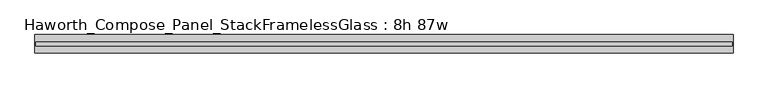
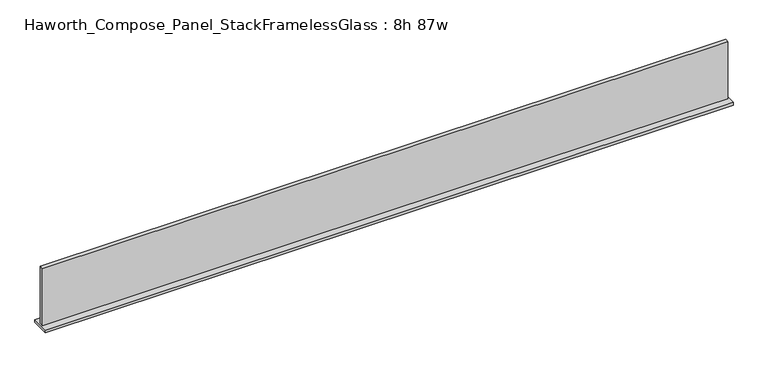
"""IFC4 building model written with IfcOpenShell, lengths in millimetres: furniture geometry, Haworth_Compose_Panel_StackFramelessGlass : 8h 87w."""

from ifc_helpers import new_model, si_unit, frame, origin, place, context, project, spatial, polyline, outline, extrude, source, transform, mapped, element, save


def haworth_compose_panel_stackframelessglass_8h_87w_bba68363(model_context):
    return source(origin(), model_context, "Body", "SweptSolid", [
        extrude(outline(polyline([(1104.1652902, -27.3093594), (-1099.2847098, -27.3093594), (-1099.2847098, -14.6093594), (1104.1652902, -14.6093594), (1104.1652902, -27.3093594)])), frame((0.0, 0.0, 1279.525), z_axis=(0.0, 0.0, 1.0), x_axis=(1.0, 0.0, 0.0)), (0.0, 0.0, 1.0), 193.675),
        extrude(outline(polyline([(-1102.4597098, -50.3281094), (-1102.4597098, 8.4093906), (1107.3402902, 8.4093906), (1107.3402902, -50.3281094), (-1102.4597098, -50.3281094)])), frame((0.0, 0.0, 1270.0), z_axis=(0.0, 0.0, 1.0), x_axis=(1.0, 0.0, 0.0)), (0.0, 0.0, 1.0), 9.525),
    ])


if __name__ == "__main__":
    model = new_model("IFC4")
    model_context = context("Model", 3, world=origin())
    ifc_project = project(units=[si_unit("LENGTHUNIT", "METRE", prefix="MILLI")], contexts=[model_context])
    site = spatial("IfcSite", under=ifc_project)
    building = spatial("IfcBuilding", under=site)
    placement = place(None, origin())
    haworth_compose_panel_stackframelessglass_8h_87w_shape = haworth_compose_panel_stackframelessglass_8h_87w_bba68363(model_context)
    element("IfcFurniture", 1, ObjectType="Haworth_Compose_Panel_StackFramelessGlass : 8h 87w", at=placement, inside=building, context=model_context, shape_type="MappedRepresentation", body=[
        mapped(haworth_compose_panel_stackframelessglass_8h_87w_shape, transform((0.0, 0.0, 0.0), x_axis=(1.0, 0.0, 0.0), y_axis=(0.0, 1.0, 0.0), z_axis=(0.0, 0.0, 1.0))),
    ])
    save(model, "model.ifc")
